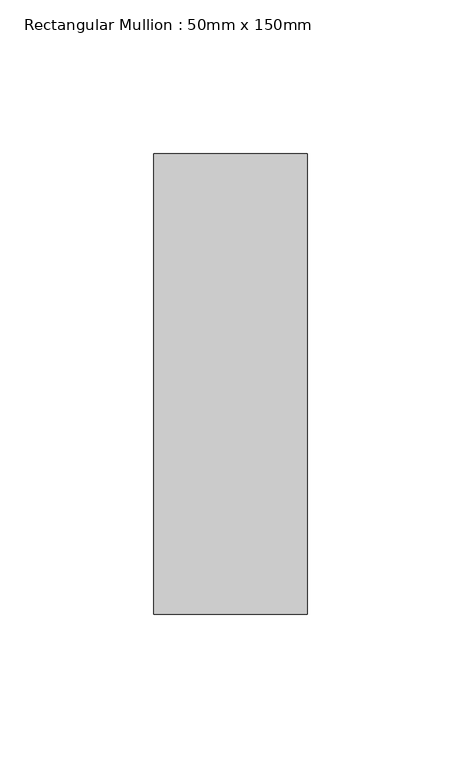
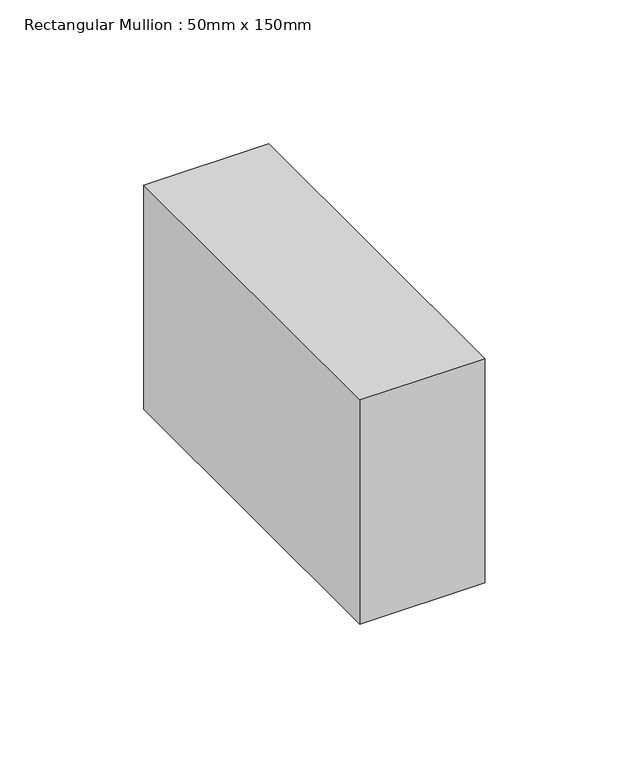
"""IFC4 building model written with IfcOpenShell, lengths in millimetres: member geometry, Rectangular Mullion : 50mm x 150mm."""

from ifc_helpers import new_model, si_unit, frame, origin, place, context, project, spatial, polyline, outline, extrude, source, transform, mapped, element, save


def rectangular_mullion_50mm_x_150mm_6c89d49e(model_context):
    return source(origin(), model_context, "Body", "SweptSolid", [
        extrude(outline(polyline([(25.0, 75.0), (25.0, -75.0), (-25.0, -75.0), (-25.0, 75.0), (25.0, 75.0)])), frame((0.0, 0.0, -95.0244267), z_axis=(0.0, 0.0, 1.0), x_axis=(1.0, 0.0, 0.0)), (0.0, 0.0, 1.0), 95.0244267),
    ])


if __name__ == "__main__":
    model = new_model("IFC4")
    model_context = context("Model", 3, world=origin())
    ifc_project = project(units=[si_unit("LENGTHUNIT", "METRE", prefix="MILLI")], contexts=[model_context])
    site = spatial("IfcSite", under=ifc_project)
    building = spatial("IfcBuilding", under=site)
    placement = place(None, origin())
    rectangular_mullion_50mm_x_150mm_shape = rectangular_mullion_50mm_x_150mm_6c89d49e(model_context)
    element("IfcMember", 1, ObjectType="Rectangular Mullion : 50mm x 150mm", at=placement, inside=building, context=model_context, shape_type="MappedRepresentation", body=[
        mapped(rectangular_mullion_50mm_x_150mm_shape, transform((0.0, 0.0, 0.0), x_axis=(1.0, 0.0, 0.0), y_axis=(0.0, 1.0, 0.0), z_axis=(0.0, 0.0, 1.0))),
    ])
    save(model, "model.ifc")
